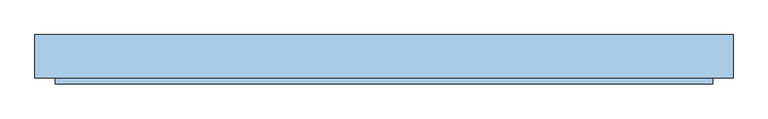
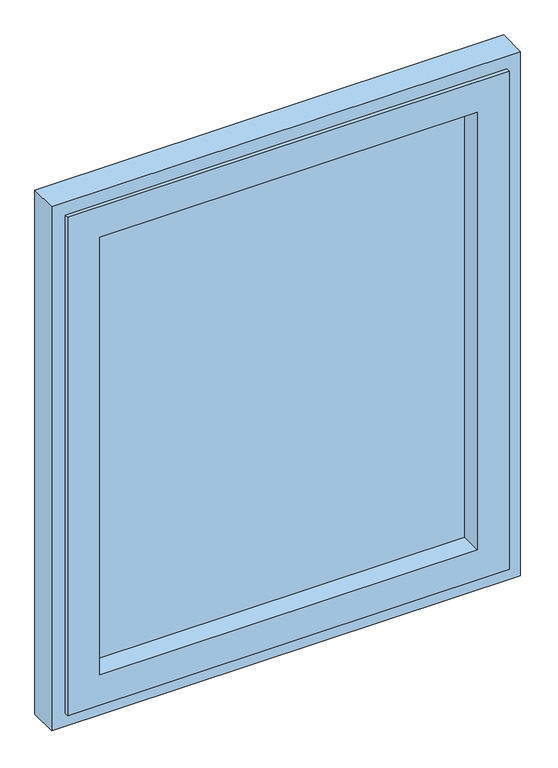
"""IFC4 building model written with IfcOpenShell, lengths in millimetres: window geometry."""

from ifc_helpers import new_model, si_unit, frame, origin, place, context, project, spatial, polyline, outline, extrude, faceted_brep, source, transform, mapped, element, save


def window_21eb7b67(model_context):
    return source(origin(), model_context, "Body", "SolidModel", [
        extrude(outline(polyline([(443.0, 8.0), (-443.0, 8.0), (-443.0, 14.0), (443.0, 14.0), (443.0, 8.0)])), frame((0.0, 0.0, 1007.0), z_axis=(0.0, 0.0, 1.0), x_axis=(1.0, 0.0, 0.0)), (0.0, 0.0, 1.0), 1086.0),
        extrude(outline(polyline([(443.0, 20.0), (-443.0, 20.0), (-443.0, 26.0), (443.0, 26.0), (443.0, 20.0)])), frame((0.0, 0.0, 1007.0), z_axis=(0.0, 0.0, 1.0), x_axis=(1.0, 0.0, 0.0)), (0.0, 0.0, 1.0), 1086.0),
        faceted_brep([(518.0, -34.0, 2168.0), (518.0, -43.5, 2168.0), (518.0, -43.5, 932.0), (518.0, -34.0, 932.0), (-518.0, -43.5, 2168.0), (-518.0, -43.5, 932.0), (443.0, -43.5, 1007.0), (-443.0, -43.5, 1007.0), (-443.0, -43.5, 2093.0), (443.0, -43.5, 2093.0), (-518.0, -34.0, 932.0), (-518.0, -34.0, 2168.0), (493.0, -34.0, 2143.0), (-493.0, -34.0, 2143.0), (-493.0, -34.0, 957.0), (493.0, -34.0, 957.0), (493.0, 29.0, 2143.0), (493.0, 29.0, 957.0), (-493.0, 29.0, 957.0), (-493.0, 29.0, 2143.0), (486.0, 29.0, 2136.0), (-486.0, 29.0, 2136.0), (-486.0, 29.0, 964.0), (486.0, 29.0, 964.0), (486.0, 34.0, 2136.0), (486.0, 34.0, 964.0), (-486.0, 34.0, 964.0), (-486.0, 34.0, 2136.0), (443.0, 34.0, 2093.0), (-443.0, 34.0, 2093.0), (-443.0, 34.0, 1007.0), (443.0, 34.0, 1007.0)], [[[0, 1, 2, 3]], [[1, 4, 5, 2], [6, 7, 8, 9]], [[3, 2, 5, 10]], [[3, 10, 11, 0], [12, 13, 14, 15]], [[16, 12, 15, 17]], [[17, 15, 14, 18]], [[17, 18, 19, 16], [20, 21, 22, 23]], [[24, 20, 23, 25]], [[25, 23, 22, 26]], [[25, 26, 27, 24], [28, 29, 30, 31]], [[9, 28, 31, 6]], [[6, 31, 30, 7]], [[10, 5, 4, 11]], [[18, 14, 13, 19]], [[26, 22, 21, 27]], [[7, 30, 29, 8]], [[11, 4, 1, 0]], [[19, 13, 12, 16]], [[27, 21, 20, 24]], [[8, 29, 28, 9]]]),
        faceted_brep([(491.0, 29.0, 2141.0), (491.0, 34.0, 2141.0), (491.0, 34.0, 959.0), (491.0, 29.0, 959.0), (550.0, 34.0, 900.0), (-550.0, 34.0, 900.0), (-550.0, 34.0, 2200.0), (550.0, 34.0, 2200.0), (-491.0, 34.0, 2141.0), (-491.0, 34.0, 959.0), (-491.0, 29.0, 959.0), (513.0, 29.0, 2163.0), (-513.0, 29.0, 2163.0), (-513.0, 29.0, 937.0), (513.0, 29.0, 937.0), (-491.0, 29.0, 2141.0), (513.0, -34.0, 2163.0), (513.0, -34.0, 937.0), (-513.0, -34.0, 937.0), (550.0, -34.0, 2200.0), (-550.0, -34.0, 2200.0), (-550.0, -34.0, 900.0), (550.0, -34.0, 900.0), (-513.0, -34.0, 2163.0)], [[[0, 1, 2, 3]], [[4, 5, 6, 7], [1, 8, 9, 2]], [[3, 2, 9, 10]], [[11, 12, 13, 14], [3, 10, 15, 0]], [[16, 11, 14, 17]], [[17, 14, 13, 18]], [[19, 20, 21, 22], [17, 18, 23, 16]], [[7, 19, 22, 4]], [[4, 22, 21, 5]], [[10, 9, 8, 15]], [[18, 13, 12, 23]], [[5, 21, 20, 6]], [[15, 8, 1, 0]], [[23, 12, 11, 16]], [[6, 20, 19, 7]]]),
    ])


if __name__ == "__main__":
    model = new_model("IFC4")
    model_context = context("Model", 3, world=origin())
    ifc_project = project(units=[si_unit("LENGTHUNIT", "METRE", prefix="MILLI")], contexts=[model_context])
    site = spatial("IfcSite", under=ifc_project)
    building = spatial("IfcBuilding", under=site)
    placement = place(None, origin())
    window_shape = window_21eb7b67(model_context)
    element("IfcWindow", 1, at=placement, inside=building, context=model_context, shape_type="MappedRepresentation", body=[
        mapped(window_shape, transform((0.0, 0.0, 0.0), x_axis=(1.0, 0.0, 0.0), y_axis=(0.0, 1.0, 0.0), z_axis=(0.0, 0.0, 1.0))),
    ])
    save(model, "model.ifc")
